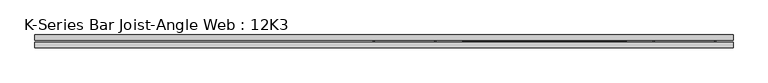
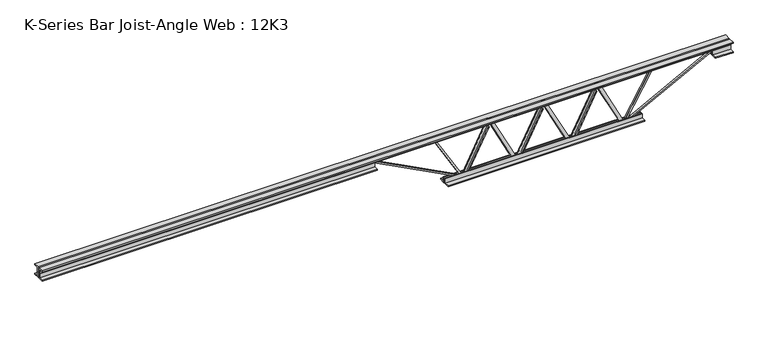
"""IFC4 building model written with IfcOpenShell, lengths in millimetres: beam geometry, K-Series Bar Joist-Angle Web : 12K3."""

from ifc_helpers import new_model, si_unit, frame, origin, place, context, project, spatial, polyline, outline, extrude, faceted_brep, source, transform, mapped, element, save


def k_series_bar_joist_angle_web_12k3_ab6fc5ae(model_context):
    return source(origin(), model_context, "Body", "SolidModel", [
        extrude(outline(polyline([(-4.7625, 4.7625), (-4.7625, 0.0), (-17.4625, 0.0), (-17.4625, 4.7625), (-4.7625, 4.7625)])), frame((125.0653867, 0.0, -114.3), z_axis=(-0.45395106110394673, 0.0, 0.8910266180774853), x_axis=(0.0, -1.0, 0.0)), (0.0, 0.0, 1.0), 256.5579921),
        extrude(outline(polyline([(-149.225, 155.0458333), (-130.175, 155.0458333), (-130.175, 154.5330508), (149.225, 12.1872175), (149.225, -6.35), (130.175, -6.35), (130.175, 0.5127825), (-149.225, 142.8586159), (-149.225, 155.0458333)])), frame((0.0, 0.0, 0.0), z_axis=(0.0, 1.0, 0.0), x_axis=(0.0, 0.0, 1.0)), (0.0, 0.0, 1.0), 4.7625),
        faceted_brep([(-155.0458333, 0.0, -130.175), (-155.0458333, 0.0, -149.225), (-155.0458333, -4.7625, -149.225), (-155.0458333, -4.7625, -130.175), (-154.5330508, 0.0, -130.175), (-12.1872175, 0.0, 149.225), (6.35, 0.0, 149.225), (6.35, 0.0, 130.175), (-0.5127825, 0.0, 130.175), (-142.8586159, 0.0, -149.225), (-142.8586159, -4.7625, -149.225), (-125.0653867, -4.7625, -114.3), (-129.308901, -4.7625, -112.1380581), (-12.8441282, -4.7625, 116.4619419), (-8.600614, -4.7625, 114.3), (-0.5127825, -4.7625, 130.175), (6.35, -4.7625, 130.175), (6.35, -4.7625, 149.225), (-12.1872175, -4.7625, 149.225), (-154.5330508, -4.7625, -130.175), (-8.600614, -17.4625, 114.3), (-125.0653867, -17.4625, -114.3), (-129.308901, -17.4625, -112.1380581), (-12.8441282, -17.4625, 116.4619419)], [[[0, 1, 2, 3]], [[1, 0, 4, 5, 6, 7, 8, 9]], [[2, 1, 9, 10]], [[3, 2, 10, 11, 12, 13, 14, 15, 16, 17, 18, 19]], [[0, 3, 19, 4]], [[9, 8, 15, 14, 20, 21, 11, 10]], [[5, 4, 19, 18]], [[7, 6, 17, 16]], [[8, 7, 16, 15]], [[6, 5, 18, 17]], [[21, 22, 12, 11]], [[20, 14, 13, 23]], [[22, 21, 20, 23]], [[12, 22, 23, 13]]]),
        extrude(outline(polyline([(-4.7625, 4.7624999), (-4.7625, 0.0), (-17.4625, 0.0), (-17.4625, 4.7624999), (-4.7625, 4.7624999)])), frame((435.1570534, 0.0, -114.3), z_axis=(-0.45395106110394673, 0.0, 0.8910266180774853), x_axis=(0.0, -1.0, 0.0)), (0.0, 0.0, 1.0), 256.5579921),
        extrude(outline(polyline([(-149.225, 465.1375), (-130.175, 465.1375), (-130.175, 464.6247175), (149.225, 322.2788841), (149.225, 303.7416667), (130.175, 303.7416667), (130.175, 310.6044492), (-149.225, 452.9502825), (-149.225, 465.1375)])), frame((0.0, 0.0, 0.0), z_axis=(0.0, 1.0, 0.0), x_axis=(0.0, 0.0, 1.0)), (0.0, 0.0, 1.0), 4.7625),
        faceted_brep([(155.0458333, 0.0, -130.175), (155.0458333, 0.0, -149.225), (155.0458333, -4.7625, -149.225), (155.0458333, -4.7625, -130.175), (155.5586159, 0.0, -130.175), (297.9044492, 0.0, 149.225), (316.4416667, 0.0, 149.225), (316.4416667, 0.0, 130.175), (309.5788841, 0.0, 130.175), (167.2330508, 0.0, -149.225), (167.2330508, -4.7625, -149.225), (185.02628, -4.7625, -114.3), (180.7827657, -4.7625, -112.1380581), (297.2475384, -4.7625, 116.4619419), (301.4910527, -4.7625, 114.3), (309.5788841, -4.7625, 130.175), (316.4416667, -4.7625, 130.175), (316.4416667, -4.7625, 149.225), (297.9044492, -4.7625, 149.225), (155.5586159, -4.7625, -130.175), (301.4910527, -17.4625, 114.3), (185.02628, -17.4625, -114.3), (180.7827657, -17.4625, -112.1380581), (297.2475384, -17.4625, 116.4619419)], [[[0, 1, 2, 3]], [[1, 0, 4, 5, 6, 7, 8, 9]], [[2, 1, 9, 10]], [[3, 2, 10, 11, 12, 13, 14, 15, 16, 17, 18, 19]], [[0, 3, 19, 4]], [[9, 8, 15, 14, 20, 21, 11, 10]], [[5, 4, 19, 18]], [[7, 6, 17, 16]], [[8, 7, 16, 15]], [[6, 5, 18, 17]], [[21, 22, 12, 11]], [[20, 14, 13, 23]], [[22, 21, 20, 23]], [[12, 22, 23, 13]]]),
        extrude(outline(polyline([(-4.7625, 4.7625), (-4.7625, 0.0), (-17.4625, 0.0), (-17.4625, 4.7625), (-4.7625, 4.7625)])), frame((-185.02628, 0.0, -114.3), z_axis=(-0.45395106110394673, 0.0, 0.8910266180774853), x_axis=(0.0, -1.0, 0.0)), (0.0, 0.0, 1.0), 256.5579921),
        extrude(outline(polyline([(-149.225, -155.0458333), (-130.175, -155.0458333), (-130.175, -155.5586159), (149.225, -297.9044492), (149.225, -316.4416667), (130.175, -316.4416667), (130.175, -309.5788841), (-149.225, -167.2330508), (-149.225, -155.0458333)])), frame((0.0, 0.0, 0.0), z_axis=(0.0, 1.0, 0.0), x_axis=(0.0, 0.0, 1.0)), (0.0, 0.0, 1.0), 4.7625),
        faceted_brep([(-465.1375, 0.0, -130.175), (-465.1375, 0.0, -149.225), (-465.1375, -4.7625, -149.225), (-465.1375, -4.7625, -130.175), (-464.6247175, 0.0, -130.175), (-322.2788841, 0.0, 149.225), (-303.7416667, 0.0, 149.225), (-303.7416667, 0.0, 130.175), (-310.6044492, 0.0, 130.175), (-452.9502825, 0.0, -149.225), (-452.9502825, -4.7625, -149.225), (-435.1570534, -4.7625, -114.3), (-439.4005676, -4.7625, -112.1380581), (-322.9357949, -4.7625, 116.4619419), (-318.6922806, -4.7625, 114.3), (-310.6044492, -4.7625, 130.175), (-303.7416667, -4.7625, 130.175), (-303.7416667, -4.7625, 149.225), (-322.2788841, -4.7625, 149.225), (-464.6247175, -4.7625, -130.175), (-318.6922806, -17.4625, 114.3), (-435.1570534, -17.4625, -114.3), (-439.4005676, -17.4625, -112.1380581), (-322.9357949, -17.4625, 116.4619419)], [[[0, 1, 2, 3]], [[1, 0, 4, 5, 6, 7, 8, 9]], [[2, 1, 9, 10]], [[3, 2, 10, 11, 12, 13, 14, 15, 16, 17, 18, 19]], [[0, 3, 19, 4]], [[9, 8, 15, 14, 20, 21, 11, 10]], [[5, 4, 19, 18]], [[7, 6, 17, 16]], [[8, 7, 16, 15]], [[6, 5, 18, 17]], [[21, 22, 12, 11]], [[20, 14, 13, 23]], [[22, 21, 20, 23]], [[12, 22, 23, 13]]]),
        extrude(outline(polyline([(4.7625, 152.4), (36.5125, 152.4), (36.5125, 146.05), (11.1125, 146.05), (11.1125, 120.65), (4.7625, 120.65), (4.7625, 152.4)])), frame((-2903.5375, 0.0, 0.0), z_axis=(1.0, 0.0, 0.0), x_axis=(0.0, 1.0, 0.0)), (0.0, 0.0, 1.0), 3978.275),
        extrude(outline(polyline([(-4.7625, 152.4), (-4.7625, 120.65), (-11.1125, 120.65), (-11.1125, 146.05), (-36.5125, 146.05), (-36.5125, 152.4), (-4.7625, 152.4)])), frame((-2903.5375, 0.0, 0.0), z_axis=(1.0, 0.0, 0.0), x_axis=(0.0, 1.0, 0.0)), (0.0, 0.0, 1.0), 3978.275),
        extrude(outline(polyline([(-4.7625, 88.9), (-36.5125, 88.9), (-36.5125, 95.25), (-11.1125, 95.25), (-11.1125, 120.65), (-4.7625, 120.65), (-4.7625, 88.9)])), frame((-2903.5375, 0.0, 0.0), z_axis=(1.0, 0.0, 0.0), x_axis=(0.0, 1.0, 0.0)), (0.0, 0.0, 1.0), 1930.4),
        extrude(outline(polyline([(36.5125, 88.9), (4.7625, 88.9), (4.7625, 120.65), (11.1125, 120.65), (11.1125, 95.25), (36.5125, 95.25), (36.5125, 88.9)])), frame((-2903.5375, 0.0, 0.0), z_axis=(1.0, 0.0, 0.0), x_axis=(0.0, 1.0, 0.0)), (0.0, 0.0, 1.0), 1930.4),
        extrude(outline(polyline([(4.7625, 88.9), (4.7625, 120.65), (11.1125, 120.65), (11.1125, 95.25), (36.5125, 95.25), (36.5125, 88.9), (4.7625, 88.9)])), frame((973.1375, 0.0, 0.0), z_axis=(1.0, 0.0, 0.0), x_axis=(0.0, 1.0, 0.0)), (0.0, 0.0, 1.0), 101.6),
        extrude(outline(polyline([(-4.7625, 88.9), (-36.5125, 88.9), (-36.5125, 95.25), (-11.1125, 95.25), (-11.1125, 120.65), (-4.7625, 120.65), (-4.7625, 88.9)])), frame((973.1375, 0.0, 0.0), z_axis=(1.0, 0.0, 0.0), x_axis=(0.0, 1.0, 0.0)), (0.0, 0.0, 1.0), 101.6),
        extrude(outline(polyline([(4.7625, -152.4), (4.7625, -120.65), (11.1125, -120.65), (11.1125, -146.05), (36.5125, -146.05), (36.5125, -152.4), (4.7625, -152.4)])), frame((-566.7375, 0.0, 0.0), z_axis=(1.0, 0.0, 0.0), x_axis=(0.0, 1.0, 0.0)), (0.0, 0.0, 1.0), 1133.475),
        extrude(outline(polyline([(-4.7625, -152.4), (-36.5125, -152.4), (-36.5125, -146.05), (-11.1125, -146.05), (-11.1125, -120.65), (-4.7625, -120.65), (-4.7625, -152.4)])), frame((-566.7375, 0.0, 0.0), z_axis=(1.0, 0.0, 0.0), x_axis=(0.0, 1.0, 0.0)), (0.0, 0.0, 1.0), 1133.475),
        extrude(outline(polyline([(4.7625, 4.7625), (4.7625, -4.7625), (-4.7625, -4.7625), (-4.7625, 4.7625), (4.7625, 4.7625)])), frame((465.1375, 0.0, -146.05), z_axis=(0.5025906433994872, 0.0, 0.864524519702761), x_axis=(0.0, -1.0, 0.0)), (0.0, 0.0, 1.0), 308.4932745),
        extrude(outline(polyline([(4.7625, 4.7625), (4.7625, -4.7625), (-4.7625, -4.7625), (-4.7625, 4.7625), (4.7625, 4.7625)])), frame((-465.1375, 0.0, -146.05), z_axis=(-0.5025906433994415, 0.0, 0.8645245197027877), x_axis=(0.0, -1.0, 0.0)), (0.0, 0.0, 1.0), 308.4932745),
        extrude(outline(polyline([(0.0, -9.525), (0.0, 0.0), (573.7533355, 0.0), (573.7533355, -9.525), (0.0, -9.525)])), frame((975.3512714, -4.7625, 116.4332925), z_axis=(-0.4648338989893246, 0.0, 0.8853979028382564), x_axis=(-0.8853979028382564, 0.0, -0.4648338989893246)), (0.0, 0.0, 1.0), 9.525),
        extrude(outline(polyline([(0.0, -9.525), (0.0, 0.0), (573.7533355, 0.0), (573.7533355, -9.525), (0.0, -9.525)])), frame((-975.3512714, 4.7625, 116.4332925), z_axis=(0.4648338989893202, 0.0, 0.8853979028382586), x_axis=(0.8853979028382586, 0.0, -0.4648338989893202)), (0.0, 0.0, 1.0), 9.525),
    ])


if __name__ == "__main__":
    model = new_model("IFC4")
    model_context = context("Model", 3, world=origin())
    ifc_project = project(units=[si_unit("LENGTHUNIT", "METRE", prefix="MILLI")], contexts=[model_context])
    site = spatial("IfcSite", under=ifc_project)
    building = spatial("IfcBuilding", under=site)
    placement = place(None, origin())
    k_series_bar_joist_angle_web_12k3_shape = k_series_bar_joist_angle_web_12k3_ab6fc5ae(model_context)
    element("IfcBeam", 1, ObjectType="K-Series Bar Joist-Angle Web : 12K3", at=placement, inside=building, context=model_context, shape_type="MappedRepresentation", body=[
        mapped(k_series_bar_joist_angle_web_12k3_shape, transform((0.0, 0.0, 0.0), x_axis=(1.0, 0.0, 0.0), y_axis=(0.0, 1.0, 0.0), z_axis=(0.0, 0.0, 1.0))),
    ])
    save(model, "model.ifc")
